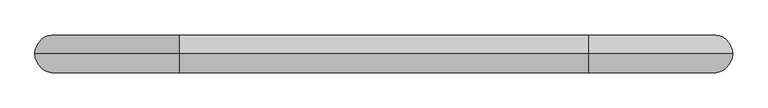
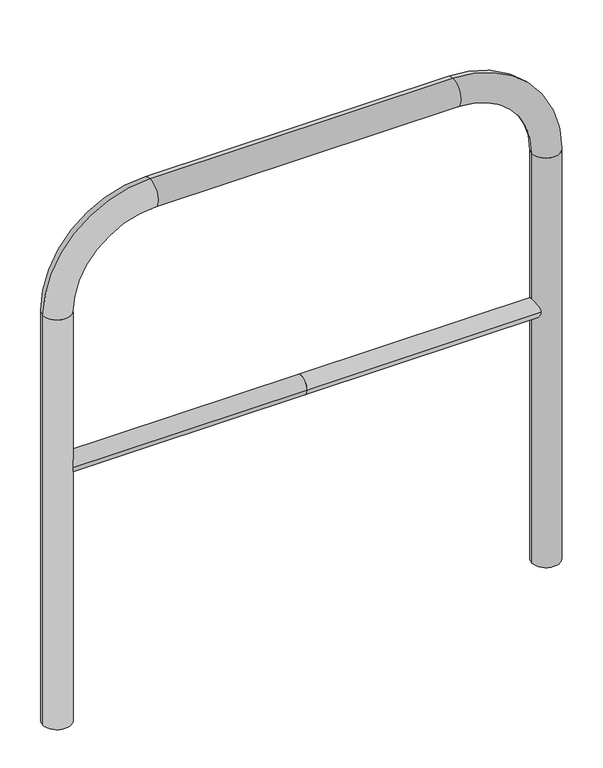
"""IFC4 building model written with IfcOpenShell, lengths in millimetres: proxy geometry."""

import ifcopenshell
import ifcopenshell.guid

model = None  # the IFC model being written
_history = None  # IfcOwnerHistory: only IFC2X3 demands one
_inside = {}  # id of a spatial element -> (the spatial element, [elements in it])
_under = {}  # id of a project, library or spatial element -> (it, [spatial elements below it])
_declared = {}  # id of a project -> (the project, [libraries it declares])
_typed = {}  # id of a type object -> (the type object, [elements of that type])
_made_of = {}  # id of a material, layer set ... -> (it, [elements and type objects made of it])


def new_model(schema):
    """Start an empty IFC model of exactly this schema.

    Asked for "IFC4X3", IfcOpenShell would pick the latest addendum, in which some entities
    have other attributes; the version numbers below select the first issue.
    IFC2X3 requires an IfcOwnerHistory on every rooted entity: one is made here for all.
    """
    global model, _history
    if schema == "IFC4X3":
        model = ifcopenshell.file(schema_version=(4, 3, 0, 0))
    else:
        model = ifcopenshell.file(schema=schema)
    _inside.clear()
    _under.clear()
    _declared.clear()
    _typed.clear()
    _made_of.clear()
    _history = None
    if model.schema == "IFC2X3":
        org = make("IfcOrganization", Name="unknown")
        user = make(
            "IfcPersonAndOrganization",
            ThePerson=make("IfcPerson", FamilyName="unknown"),
            TheOrganization=org,
        )
        app = make(
            "IfcApplication",
            ApplicationDeveloper=org,
            Version="unknown",
            ApplicationFullName="unknown",
            ApplicationIdentifier="unknown",
        )
        _history = make(
            "IfcOwnerHistory",
            OwningUser=user,
            OwningApplication=app,
            ChangeAction="ADDED",
            CreationDate=0,
        )
    return model


def make(cls, **values):
    """One entity of the class cls with the attributes given. An attribute that is None is left unset."""
    return model.create_entity(
        cls, **{name: value for name, value in values.items() if value is not None}
    )


def rooted(cls, **values):
    """An entity with a GlobalId (a new one), such as an element, a storey or a relation."""
    return make(cls, GlobalId=ifcopenshell.guid.new(), OwnerHistory=_history, **values)


def si_unit(unit_type, name, prefix=None):
    """IfcSIUnit, for example si_unit("LENGTHUNIT", "METRE", prefix="MILLI")."""
    return make("IfcSIUnit", UnitType=unit_type, Prefix=prefix, Name=name)


def assignment(units):
    """IfcUnitAssignment: the units of a project."""
    return None if units is None else make("IfcUnitAssignment", Units=units)


def point(xyz):
    """IfcCartesianPoint."""
    return None if xyz is None else make("IfcCartesianPoint", Coordinates=xyz)


def direction(xyz):
    """IfcDirection."""
    return None if xyz is None else make("IfcDirection", DirectionRatios=xyz)


def frame(location, z_axis=None, x_axis=None):
    """IfcAxis2Placement3D, a coordinate frame: its origin and axes. An axis left out is left unset."""
    return make(
        "IfcAxis2Placement3D",
        Location=point(location),
        Axis=direction(z_axis),
        RefDirection=direction(x_axis),
    )


def frame_2d(location, x_axis=None):
    """IfcAxis2Placement2D, a coordinate frame in the plane: its origin and x axis."""
    return make(
        "IfcAxis2Placement2D", Location=point(location), RefDirection=direction(x_axis)
    )


def origin():
    """The frame at (0, 0, 0) with its axes left unset."""
    return frame((0.0, 0.0, 0.0))


def place(relative_to, where):
    """IfcLocalPlacement: puts the frame where relative to a parent placement (None: the world)."""
    return make(
        "IfcLocalPlacement", PlacementRelTo=relative_to, RelativePlacement=where
    )


def context(
    kind, dimensions, precision=None, world=None, true_north=None, identifier=None
):
    """IfcGeometricRepresentationContext, for example the 3D "Model" context."""
    return make(
        "IfcGeometricRepresentationContext",
        ContextIdentifier=identifier,
        ContextType=kind,
        CoordinateSpaceDimension=dimensions,
        Precision=precision,
        WorldCoordinateSystem=world,
        TrueNorth=true_north,
    )


def project(units=None, contexts=None):
    """IfcProject with its units and contexts."""
    return rooted(
        "IfcProject",
        Name="project",
        RepresentationContexts=contexts,
        UnitsInContext=assignment(units),
    )


def spatial(cls, under=None, at=None, **own):
    """A site, building, storey or space (cls), placed at a placement, below another one or the project."""
    s = rooted(cls, ObjectPlacement=at, **own)
    if under is not None:
        _under.setdefault(under.id(), (under, []))[1].append(s)
    return s


def circle_curve(where, radius):
    """IfcCircle in the frame where."""
    return make("IfcCircle", Position=where, Radius=radius)


def ellipse_curve(where, semi_axis1, semi_axis2):
    """IfcEllipse in the frame where."""
    return make(
        "IfcEllipse", Position=where, SemiAxis1=semi_axis1, SemiAxis2=semi_axis2
    )


def trimmed(basis, trim1, trim2, sense, master):
    """IfcTrimmedCurve: the piece of a basis curve between two trims."""
    return make(
        "IfcTrimmedCurve",
        BasisCurve=basis,
        Trim1=trim1,
        Trim2=trim2,
        SenseAgreement=sense,
        MasterRepresentation=master,
    )


def segment(curve, same_sense, transition):
    """IfcCompositeCurveSegment."""
    return make(
        "IfcCompositeCurveSegment",
        Transition=transition,
        SameSense=same_sense,
        ParentCurve=curve,
    )


def composite_curve(segments, self_intersect=None):
    """IfcCompositeCurve: segments joined end to end."""
    return make("IfcCompositeCurve", Segments=segments, SelfIntersect=self_intersect)


def outline(outer, holes=None, kind="AREA"):
    """IfcArbitraryClosedProfileDef: a profile drawn as a closed curve; with holes, ...WithVoids."""
    if holes is None:
        return make("IfcArbitraryClosedProfileDef", ProfileType=kind, OuterCurve=outer)
    return make(
        "IfcArbitraryProfileDefWithVoids",
        ProfileType=kind,
        OuterCurve=outer,
        InnerCurves=holes,
    )


def extrude(swept, where, along, depth):
    """IfcExtrudedAreaSolid: the profile swept, set in the frame where, extruded along a direction by depth."""
    return make(
        "IfcExtrudedAreaSolid",
        SweptArea=swept,
        Position=where,
        ExtrudedDirection=direction(along),
        Depth=depth,
    )


def shape(context_of_items, identifier, shape_type, items):
    """IfcShapeRepresentation: the items that make up one representation, for example the "Body"."""
    return make(
        "IfcShapeRepresentation",
        ContextOfItems=context_of_items,
        RepresentationIdentifier=identifier,
        RepresentationType=shape_type,
        Items=items,
    )


def source(mapping_origin, context_of_items, identifier, shape_type, items):
    """IfcRepresentationMap: a shape defined once, which mapped items show again and again."""
    return make(
        "IfcRepresentationMap",
        MappingOrigin=mapping_origin,
        MappedRepresentation=shape(context_of_items, identifier, shape_type, items),
    )


def transform(
    local_origin,
    x_axis=None,
    y_axis=None,
    z_axis=None,
    scale=None,
    scale2=None,
    scale3=None,
    uniform=True,
):
    """IfcCartesianTransformationOperator3D, or its non-uniform kind. x_axis, y_axis, z_axis: its Axis1, 2, 3."""
    if uniform:
        return make(
            "IfcCartesianTransformationOperator3D",
            Axis1=direction(x_axis),
            Axis2=direction(y_axis),
            LocalOrigin=point(local_origin),
            Scale=scale,
            Axis3=direction(z_axis),
        )
    return make(
        "IfcCartesianTransformationOperator3DnonUniform",
        Axis1=direction(x_axis),
        Axis2=direction(y_axis),
        LocalOrigin=point(local_origin),
        Scale=scale,
        Axis3=direction(z_axis),
        Scale2=scale2,
        Scale3=scale3,
    )


def mapped(mapping_source, mapping_target):
    """IfcMappedItem: shows the shape of a source again, moved by a transform."""
    return make(
        "IfcMappedItem", MappingSource=mapping_source, MappingTarget=mapping_target
    )


def made_of(thing, what):
    """Note that an element or type object is made of a material, layer set ...; save() writes the relation."""
    if what is not None:
        _made_of.setdefault(what.id(), (what, []))[1].append(thing)
    return thing


def element(
    cls,
    number,
    at=None,
    inside=None,
    cuts=None,
    type_object=None,
    material=None,
    context=None,
    identifier="Body",
    shape_type=None,
    held_by="IfcProductDefinitionShape",
    body=None,
    shapes=None,
    **own,
):
    """One element of the class cls, such as IfcWall. Its Tag is "e" and its number.

    at: its placement. inside: the storey or other place that contains it. cuts: it is an
    opening in that element (IfcRelVoidsElement). A single representation is given by context,
    identifier, shape_type and body (its items); several are given by shapes. held_by: the class
    of the entity that holds the representations. save() writes the other relations.
    """
    e = rooted(cls, Tag="e%d" % number, ObjectPlacement=at, **own)
    if body is not None:
        shapes = [shape(context, identifier, shape_type, body)]
    if shapes is not None:
        e.Representation = make(held_by, Representations=shapes)
    if inside is not None:
        _inside.setdefault(inside.id(), (inside, []))[1].append(e)
    if cuts is not None:
        rooted(
            "IfcRelVoidsElement", RelatingBuildingElement=cuts, RelatedOpeningElement=e
        )
    if type_object is not None:
        _typed.setdefault(type_object.id(), (type_object, []))[1].append(e)
    return made_of(e, material)


def aggregate(whole, parts):
    """IfcRelAggregates: a whole, such as a stair, and the parts it consists of."""
    return rooted("IfcRelAggregates", RelatingObject=whole, RelatedObjects=parts)


def save(model, path):
    """Write the relations noted so far, then the file.

    IfcRelAggregates (storeys below a building ...), IfcRelContainedInSpatialStructure (elements
    in a storey), IfcRelDefinesByType, IfcRelAssociatesMaterial and IfcRelDeclares: one each for
    every whole, place, type object, material and project.
    """
    for whole, parts in _under.values():
        aggregate(whole, parts)
    for where, things in _inside.values():
        rooted(
            "IfcRelContainedInSpatialStructure",
            RelatedElements=things,
            RelatingStructure=where,
        )
    for kind, things in _typed.values():
        rooted("IfcRelDefinesByType", RelatedObjects=things, RelatingType=kind)
    for what, things in _made_of.values():
        rooted("IfcRelAssociatesMaterial", RelatedObjects=things, RelatingMaterial=what)
    for by, libraries in _declared.values():
        rooted("IfcRelDeclares", RelatingContext=by, RelatedDefinitions=libraries)
    model.write(path)


def plane_surface(at):
    """IfcPlane: the flat surface through the origin of the frame at, square to its z axis."""
    return make("IfcPlane", Position=at)


def cylinder_surface(at, radius):
    """IfcCylindricalSurface: all points at the distance radius from the z axis of the frame at."""
    return make("IfcCylindricalSurface", Position=at, Radius=radius)


def revolved_surface(curve, axis_point, axis_direction):
    """IfcSurfaceOfRevolution: the curve turned about the line through axis_point along axis_direction."""
    return make(
        "IfcSurfaceOfRevolution",
        SweptCurve=make("IfcArbitraryOpenProfileDef", ProfileType="CURVE", Curve=curve),
        AxisPosition=make("IfcAxis1Placement", Location=point(axis_point), Axis=direction(axis_direction)),
    )


def advanced_brep(points, edges, surfaces, faces):
    """IfcAdvancedBrep: a solid bounded by faces that lie on surfaces and meet in shared edges.

    An edge is (start, end): straight between two places in points (the first is 0);
    or (start, end, curve); or (start, end, curve, False) where it runs against its curve.
    A face is (place in surfaces, loops), or (place, loops, False) where it looks against
    its surface's normal. A loop lists edges by number (the first is 1), with a minus sign
    where the edge is run from its end to its start. The first loop is the outer one.
    """
    corners = [point(p) for p in points]
    vertices = [make("IfcVertexPoint", VertexGeometry=c) for c in corners]
    made = []
    for start, end, *more in edges:
        made.append(
            make(
                "IfcEdgeCurve",
                EdgeStart=vertices[start],
                EdgeEnd=vertices[end],
                EdgeGeometry=more[0] if more else make("IfcPolyline", Points=[corners[start], corners[end]]),
                SameSense=more[1] if len(more) > 1 else True,
            )
        )
    hull = []
    for where, loops, *sense in faces:
        bounds = []
        for j, loop in enumerate(loops):
            ring = [make("IfcOrientedEdge", EdgeElement=made[abs(k) - 1], Orientation=k > 0) for k in loop]
            bounds.append(
                make(
                    "IfcFaceOuterBound" if j == 0 else "IfcFaceBound",
                    Bound=make("IfcEdgeLoop", EdgeList=ring),
                    Orientation=True,
                )
            )
        hull.append(make("IfcAdvancedFace", Bounds=bounds, FaceSurface=surfaces[where], SameSense=sense[0] if sense else True))
    return make("IfcAdvancedBrep", Outer=make("IfcClosedShell", CfsFaces=hull))


def generic_models_86d340a9(model_context):
    return source(origin(), model_context, "Body", "SolidModel", [
        extrude(outline(composite_curve([segment(trimmed(circle_curve(frame_2d((0.0, 498.4778375)), 20.0), [point((-20.0, 498.4778375))], [point((20.0, 498.4778375))], False, "CARTESIAN"), True, "CONTINUOUS"), segment(trimmed(circle_curve(frame_2d((0.0, 498.4778375)), 20.0), [point((20.0, 498.4778375))], [point((-20.0, 498.4778375))], False, "CARTESIAN"), True, "CONTINUOUS")], self_intersect=False)), frame((-525.6326314, 0.0, 0.0), z_axis=(1.0, 0.0, 0.0), x_axis=(0.0, 1.0, 0.0)), (0.0, 0.0, 1.0), 525.6326314),
        extrude(outline(composite_curve([segment(trimmed(circle_curve(frame_2d((0.0, 498.4778375)), 20.0), [point((-20.0, 498.4778375))], [point((20.0, 498.4778375))], False, "CARTESIAN"), True, "CONTINUOUS"), segment(trimmed(circle_curve(frame_2d((0.0, 498.4778375)), 20.0), [point((20.0, 498.4778375))], [point((-20.0, 498.4778375))], False, "CARTESIAN"), True, "CONTINUOUS")], self_intersect=False)), frame((0.0, 0.0, 0.0), z_axis=(1.0, 0.0, 0.0), x_axis=(0.0, 1.0, 0.0)), (0.0, 0.0, 1.0), 525.6326314),
        advanced_brep(
        [(-495.6326314, 0.0, -80.0), (-555.6326314, 0.0, -80.0), (-495.6326314, 0.0, 850.0), (-555.6326314, 0.0, 850.0), (-325.6326314, 0.0, 1080.0), (-325.6326314, 0.0, 1020.0), (325.6326314, 0.0, 1020.0), (325.6326314, 0.0, 1080.0), (555.6326314, 0.0, 850.0), (495.6326314, 0.0, 850.0), (495.6326314, 0.0, -80.0), (555.6326314, 0.0, -80.0)],
        [
            (0, 1, circle_curve(frame((-525.6326314, 0.0, -80.0), z_axis=(0.0, 0.0, -1.0), x_axis=(-1.0, 0.0, 0.0)), 30.0)),
            (1, 0, circle_curve(frame((-525.6326314, 0.0, -80.0), z_axis=(0.0, 0.0, -1.0), x_axis=(-1.0, 0.0, 0.0)), 30.0)),
            (0, 2),
            (2, 3, circle_curve(frame((-525.6326314, 0.0, 850.0), z_axis=(0.0, 0.0, -1.0), x_axis=(-1.0, 0.0, 0.0)), 30.0)),
            (3, 1),
            (3, 2, circle_curve(frame((-525.6326314, 0.0, 850.0), z_axis=(0.0, 0.0, -1.0), x_axis=(-1.0, 0.0, 0.0)), 30.0)),
            (4, 3, circle_curve(frame((-325.6326314, 0.0, 850.0), z_axis=(0.0, -1.0, 0.0), x_axis=(-1.0, 0.0, 0.0)), 230.0)),
            (2, 5, circle_curve(frame((-325.6326314, 0.0, 850.0), z_axis=(0.0, 1.0, 0.0), x_axis=(-1.0, 0.0, 0.0)), 170.0)),
            (5, 4, circle_curve(frame((-325.6326314, 0.0, 1050.0), z_axis=(-1.0, 0.0, 0.0), x_axis=(0.0, 0.0, 1.0)), 30.0)),
            (4, 5, circle_curve(frame((-325.6326314, 0.0, 1050.0), z_axis=(-1.0, 0.0, 0.0), x_axis=(0.0, 0.0, 1.0)), 30.0)),
            (5, 6),
            (6, 7, circle_curve(frame((325.6326314, 0.0, 1050.0), z_axis=(-1.0, 0.0, 0.0), x_axis=(0.0, 0.0, 1.0)), 30.0)),
            (7, 4),
            (7, 6, circle_curve(frame((325.6326314, 0.0, 1050.0), z_axis=(-1.0, 0.0, 0.0), x_axis=(0.0, 0.0, 1.0)), 30.0)),
            (8, 7, circle_curve(frame((325.6326314, 0.0, 850.0), z_axis=(0.0, -1.0, 0.0), x_axis=(0.0, 0.0, 1.0)), 230.0)),
            (6, 9, circle_curve(frame((325.6326314, 0.0, 850.0), z_axis=(0.0, 1.0, 0.0), x_axis=(0.0, 0.0, 1.0)), 170.0)),
            (9, 8, circle_curve(frame((525.6326314, 0.0, 850.0), z_axis=(0.0, 0.0, 1.0), x_axis=(1.0, 0.0, 0.0)), 30.0)),
            (8, 9, circle_curve(frame((525.6326314, 0.0, 850.0), z_axis=(0.0, 0.0, 1.0), x_axis=(1.0, 0.0, 0.0)), 30.0)),
            (10, 11, circle_curve(frame((525.6326314, 0.0, -80.0), z_axis=(0.0, 0.0, -1.0), x_axis=(1.0, 0.0, 0.0)), 30.0)),
            (11, 10, circle_curve(frame((525.6326314, 0.0, -80.0), z_axis=(0.0, 0.0, -1.0), x_axis=(1.0, 0.0, 0.0)), 30.0)),
            (9, 10),
            (11, 8),
        ],
        [
            plane_surface(frame((-525.6326314, 0.0, -80.0), z_axis=(0.0, 0.0, -1.0), x_axis=(0.0, -1.0, 0.0))),
            cylinder_surface(frame((-525.6326314, 0.0, -80.0), z_axis=(0.0, 0.0, -1.0), x_axis=(-1.0, 0.0, 0.0)), 30.0),
            revolved_surface(trimmed(ellipse_curve(frame((-525.6326314, 0.0, 850.0), z_axis=(0.0, 0.0, -1.0), x_axis=(-1.0, 0.0, 0.0)), 30.0, 30.0), [point((-495.6326314, 0.0, 850.0))], [point((-555.6326314, 0.0, 850.0))], True, "CARTESIAN"), (-325.6326314, 0.0, 850.0), (0.0, 1.0, 0.0)),
            revolved_surface(trimmed(ellipse_curve(frame((-525.6326314, 0.0, 850.0), z_axis=(0.0, 0.0, -1.0), x_axis=(-1.0, 0.0, 0.0)), 30.0, 30.0), [point((-555.6326314, 0.0, 850.0))], [point((-495.6326314, 0.0, 850.0))], True, "CARTESIAN"), (-325.6326314, 0.0, 850.0), (0.0, 1.0, 0.0)),
            cylinder_surface(frame((-325.6326314, 0.0, 1050.0), z_axis=(-1.0, 0.0, 0.0), x_axis=(0.0, 0.0, 1.0)), 30.0),
            revolved_surface(trimmed(ellipse_curve(frame((325.6326314, 0.0, 1050.0), z_axis=(-1.0, 0.0, 0.0), x_axis=(0.0, 0.0, 1.0)), 30.0, 30.0), [point((325.6326314, 0.0, 1020.0))], [point((325.6326314, 0.0, 1080.0))], True, "CARTESIAN"), (325.6326314, 0.0, 850.0), (0.0, 1.0, 0.0)),
            revolved_surface(trimmed(ellipse_curve(frame((325.6326314, 0.0, 1050.0), z_axis=(-1.0, 0.0, 0.0), x_axis=(0.0, 0.0, 1.0)), 30.0, 30.0), [point((325.6326314, 0.0, 1080.0))], [point((325.6326314, 0.0, 1020.0))], True, "CARTESIAN"), (325.6326314, 0.0, 850.0), (0.0, 1.0, 0.0)),
            plane_surface(frame((525.6326314, 0.0, -80.0), z_axis=(0.0, 0.0, -1.0), x_axis=(0.0, -1.0, 0.0))),
            cylinder_surface(frame((525.6326314, 0.0, 850.0), z_axis=(0.0, 0.0, 1.0), x_axis=(1.0, 0.0, 0.0)), 30.0),
        ],
        [
            (0, [[1, 2]]),
            (1, [[-1, 3, 4, 5]]),
            (1, [[-2, -5, 6, -3]]),
            (2, [[7, -4, 8, 9]]),
            (3, [[-8, -6, -7, 10]]),
            (4, [[-9, 11, 12, 13]]),
            (4, [[-10, -13, 14, -11]]),
            (5, [[15, -12, 16, 17]]),
            (6, [[-16, -14, -15, 18]]),
            (7, [[19, 20]]),
            (8, [[-17, 21, -20, 22]]),
            (8, [[-18, -22, -19, -21]]),
        ],
    ),
    ])


if __name__ == "__main__":
    model = new_model("IFC4")
    model_context = context("Model", 3, world=origin())
    ifc_project = project(units=[si_unit("LENGTHUNIT", "METRE", prefix="MILLI")], contexts=[model_context])
    site = spatial("IfcSite", under=ifc_project)
    building = spatial("IfcBuilding", under=site)
    placement = place(None, origin())
    generic_models_shape = generic_models_86d340a9(model_context)
    element("IfcBuildingElementProxy", 1, Name="Generic Models", at=placement, inside=building, context=model_context, shape_type="MappedRepresentation", body=[
        mapped(generic_models_shape, transform((0.0, 0.0, 0.0), x_axis=(1.0, 0.0, 0.0), y_axis=(0.0, 1.0, 0.0), z_axis=(0.0, 0.0, 1.0))),
    ])
    save(model, "model.ifc")
